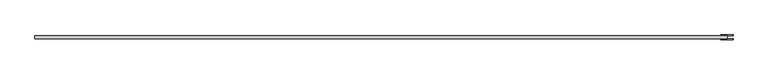
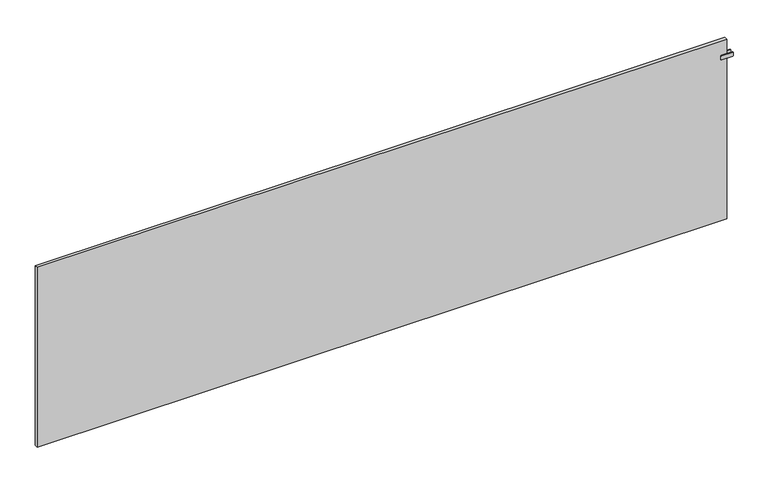
"""IFC4 building model written with IfcOpenShell, lengths in millimetres: plate geometry."""

from ifc_helpers import new_model, si_unit, point, frame, frame_2d, origin, origin_with_axes, place, context, project, spatial, polyline, circle_curve, trimmed, segment, composite_curve, outline, extrude, source, transform, mapped, element, save


def plate_36a8a144(model_context):
    return source(origin(), model_context, "Body", "SweptSolid", [
        extrude(outline(polyline([(1997.5, -40.75), (1992.5, -40.75), (1992.5, -23.25), (1997.5, -23.25), (1997.5, -40.75)])), frame((0.0, 0.0, 987.5), z_axis=(0.0, 0.0, 1.0), x_axis=(1.0, 0.0, 0.0)), (0.0, 0.0, 1.0), 25.0),
        extrude(outline(composite_curve([segment(polyline([(987.5, 1963.0), (987.5, 2027.0)]), True, "CONTINUOUS"), segment(trimmed(circle_curve(frame_2d((990.5, 2027.0)), 3.0), [point((987.5, 2027.0))], [point((990.5, 2030.0))], False, "CARTESIAN"), True, "CONTINUOUS"), segment(polyline([(990.5, 2030.0), (1009.5, 2030.0)]), True, "CONTINUOUS"), segment(trimmed(circle_curve(frame_2d((1009.5, 2027.0)), 3.0), [point((1009.5, 2030.0))], [point((1012.5, 2027.0))], False, "CARTESIAN"), True, "CONTINUOUS"), segment(polyline([(1012.5, 2027.0), (1012.5, 1963.0)]), True, "CONTINUOUS"), segment(trimmed(circle_curve(frame_2d((1009.5, 1963.0)), 3.0), [point((1012.5, 1963.0))], [point((1009.5, 1960.0))], False, "CARTESIAN"), True, "CONTINUOUS"), segment(polyline([(1009.5, 1960.0), (990.5, 1960.0)]), True, "CONTINUOUS"), segment(trimmed(circle_curve(frame_2d((990.5, 1963.0)), 3.0), [point((990.5, 1960.0))], [point((987.5, 1963.0))], False, "CARTESIAN"), True, "CONTINUOUS")], self_intersect=False)), frame((0.0, -23.25, 0.0), z_axis=(0.0, 1.0, 0.0), x_axis=(0.0, 0.0, 1.0)), (0.0, 0.0, 1.0), 5.0),
        extrude(outline(composite_curve([segment(polyline([(987.5, 1963.0), (987.5, 2027.0)]), True, "CONTINUOUS"), segment(trimmed(circle_curve(frame_2d((990.5, 2027.0)), 3.0), [point((987.5, 2027.0))], [point((990.5, 2030.0))], False, "CARTESIAN"), True, "CONTINUOUS"), segment(polyline([(990.5, 2030.0), (1009.5, 2030.0)]), True, "CONTINUOUS"), segment(trimmed(circle_curve(frame_2d((1009.5, 2027.0)), 3.0), [point((1009.5, 2030.0))], [point((1012.5, 2027.0))], False, "CARTESIAN"), True, "CONTINUOUS"), segment(polyline([(1012.5, 2027.0), (1012.5, 1963.0)]), True, "CONTINUOUS"), segment(trimmed(circle_curve(frame_2d((1009.5, 1963.0)), 3.0), [point((1012.5, 1963.0))], [point((1009.5, 1960.0))], False, "CARTESIAN"), True, "CONTINUOUS"), segment(polyline([(1009.5, 1960.0), (990.5, 1960.0)]), True, "CONTINUOUS"), segment(trimmed(circle_curve(frame_2d((990.5, 1963.0)), 3.0), [point((990.5, 1960.0))], [point((987.5, 1963.0))], False, "CARTESIAN"), True, "CONTINUOUS")], self_intersect=False)), frame((0.0, -45.75, 0.0), z_axis=(0.0, 1.0, 0.0), x_axis=(0.0, 0.0, 1.0)), (0.0, 0.0, 1.0), 5.0),
        extrude(outline(polyline([(1995.0, -23.25), (1995.0, -40.75), (-1995.0, -40.75), (-1995.0, -23.25), (1995.0, -23.25)])), origin_with_axes(), (0.0, 0.0, 1.0), 1100.0),
    ])


if __name__ == "__main__":
    model = new_model("IFC4")
    model_context = context("Model", 3, world=origin())
    ifc_project = project(units=[si_unit("LENGTHUNIT", "METRE", prefix="MILLI")], contexts=[model_context])
    site = spatial("IfcSite", under=ifc_project)
    building = spatial("IfcBuilding", under=site)
    placement = place(None, origin())
    plate_shape = plate_36a8a144(model_context)
    element("IfcPlate", 1, at=placement, inside=building, context=model_context, shape_type="MappedRepresentation", body=[
        mapped(plate_shape, transform((0.0, 0.0, 0.0), x_axis=(1.0, 0.0, 0.0), y_axis=(0.0, 1.0, 0.0), z_axis=(0.0, 0.0, 1.0))),
    ])
    save(model, "model.ifc")
